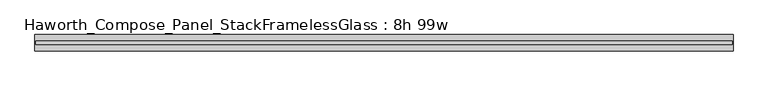
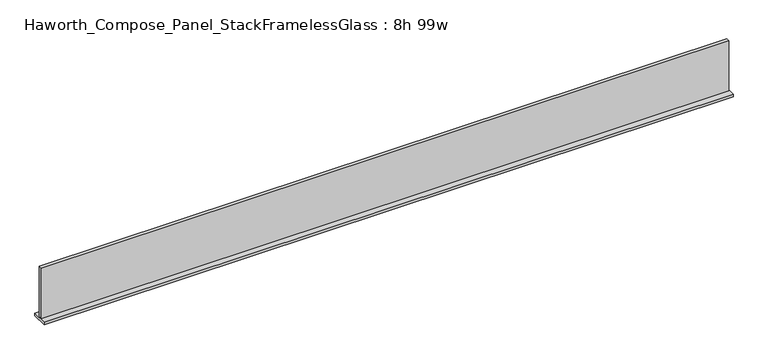
"""IFC4 building model written with IfcOpenShell, lengths in millimetres: furniture geometry, Haworth_Compose_Panel_StackFramelessGlass : 8h 99w."""

import ifcopenshell
import ifcopenshell.guid

model = None  # the IFC model being written
_history = None  # IfcOwnerHistory: only IFC2X3 demands one
_inside = {}  # id of a spatial element -> (the spatial element, [elements in it])
_under = {}  # id of a project, library or spatial element -> (it, [spatial elements below it])
_declared = {}  # id of a project -> (the project, [libraries it declares])
_typed = {}  # id of a type object -> (the type object, [elements of that type])
_made_of = {}  # id of a material, layer set ... -> (it, [elements and type objects made of it])


def new_model(schema):
    """Start an empty IFC model of exactly this schema.

    Asked for "IFC4X3", IfcOpenShell would pick the latest addendum, in which some entities
    have other attributes; the version numbers below select the first issue.
    IFC2X3 requires an IfcOwnerHistory on every rooted entity: one is made here for all.
    """
    global model, _history
    if schema == "IFC4X3":
        model = ifcopenshell.file(schema_version=(4, 3, 0, 0))
    else:
        model = ifcopenshell.file(schema=schema)
    _inside.clear()
    _under.clear()
    _declared.clear()
    _typed.clear()
    _made_of.clear()
    _history = None
    if model.schema == "IFC2X3":
        org = make("IfcOrganization", Name="unknown")
        user = make(
            "IfcPersonAndOrganization",
            ThePerson=make("IfcPerson", FamilyName="unknown"),
            TheOrganization=org,
        )
        app = make(
            "IfcApplication",
            ApplicationDeveloper=org,
            Version="unknown",
            ApplicationFullName="unknown",
            ApplicationIdentifier="unknown",
        )
        _history = make(
            "IfcOwnerHistory",
            OwningUser=user,
            OwningApplication=app,
            ChangeAction="ADDED",
            CreationDate=0,
        )
    return model


def make(cls, **values):
    """One entity of the class cls with the attributes given. An attribute that is None is left unset."""
    return model.create_entity(
        cls, **{name: value for name, value in values.items() if value is not None}
    )


def rooted(cls, **values):
    """An entity with a GlobalId (a new one), such as an element, a storey or a relation."""
    return make(cls, GlobalId=ifcopenshell.guid.new(), OwnerHistory=_history, **values)


def si_unit(unit_type, name, prefix=None):
    """IfcSIUnit, for example si_unit("LENGTHUNIT", "METRE", prefix="MILLI")."""
    return make("IfcSIUnit", UnitType=unit_type, Prefix=prefix, Name=name)


def assignment(units):
    """IfcUnitAssignment: the units of a project."""
    return None if units is None else make("IfcUnitAssignment", Units=units)


def point(xyz):
    """IfcCartesianPoint."""
    return None if xyz is None else make("IfcCartesianPoint", Coordinates=xyz)


def direction(xyz):
    """IfcDirection."""
    return None if xyz is None else make("IfcDirection", DirectionRatios=xyz)


def frame(location, z_axis=None, x_axis=None):
    """IfcAxis2Placement3D, a coordinate frame: its origin and axes. An axis left out is left unset."""
    return make(
        "IfcAxis2Placement3D",
        Location=point(location),
        Axis=direction(z_axis),
        RefDirection=direction(x_axis),
    )


def origin():
    """The frame at (0, 0, 0) with its axes left unset."""
    return frame((0.0, 0.0, 0.0))


def place(relative_to, where):
    """IfcLocalPlacement: puts the frame where relative to a parent placement (None: the world)."""
    return make(
        "IfcLocalPlacement", PlacementRelTo=relative_to, RelativePlacement=where
    )


def context(
    kind, dimensions, precision=None, world=None, true_north=None, identifier=None
):
    """IfcGeometricRepresentationContext, for example the 3D "Model" context."""
    return make(
        "IfcGeometricRepresentationContext",
        ContextIdentifier=identifier,
        ContextType=kind,
        CoordinateSpaceDimension=dimensions,
        Precision=precision,
        WorldCoordinateSystem=world,
        TrueNorth=true_north,
    )


def project(units=None, contexts=None):
    """IfcProject with its units and contexts."""
    return rooted(
        "IfcProject",
        Name="project",
        RepresentationContexts=contexts,
        UnitsInContext=assignment(units),
    )


def spatial(cls, under=None, at=None, **own):
    """A site, building, storey or space (cls), placed at a placement, below another one or the project."""
    s = rooted(cls, ObjectPlacement=at, **own)
    if under is not None:
        _under.setdefault(under.id(), (under, []))[1].append(s)
    return s


def polyline(points):
    """IfcPolyline through the points."""
    return make("IfcPolyline", Points=[point(p) for p in points])


def outline(outer, holes=None, kind="AREA"):
    """IfcArbitraryClosedProfileDef: a profile drawn as a closed curve; with holes, ...WithVoids."""
    if holes is None:
        return make("IfcArbitraryClosedProfileDef", ProfileType=kind, OuterCurve=outer)
    return make(
        "IfcArbitraryProfileDefWithVoids",
        ProfileType=kind,
        OuterCurve=outer,
        InnerCurves=holes,
    )


def extrude(swept, where, along, depth):
    """IfcExtrudedAreaSolid: the profile swept, set in the frame where, extruded along a direction by depth."""
    return make(
        "IfcExtrudedAreaSolid",
        SweptArea=swept,
        Position=where,
        ExtrudedDirection=direction(along),
        Depth=depth,
    )


def shape(context_of_items, identifier, shape_type, items):
    """IfcShapeRepresentation: the items that make up one representation, for example the "Body"."""
    return make(
        "IfcShapeRepresentation",
        ContextOfItems=context_of_items,
        RepresentationIdentifier=identifier,
        RepresentationType=shape_type,
        Items=items,
    )


def source(mapping_origin, context_of_items, identifier, shape_type, items):
    """IfcRepresentationMap: a shape defined once, which mapped items show again and again."""
    return make(
        "IfcRepresentationMap",
        MappingOrigin=mapping_origin,
        MappedRepresentation=shape(context_of_items, identifier, shape_type, items),
    )


def transform(
    local_origin,
    x_axis=None,
    y_axis=None,
    z_axis=None,
    scale=None,
    scale2=None,
    scale3=None,
    uniform=True,
):
    """IfcCartesianTransformationOperator3D, or its non-uniform kind. x_axis, y_axis, z_axis: its Axis1, 2, 3."""
    if uniform:
        return make(
            "IfcCartesianTransformationOperator3D",
            Axis1=direction(x_axis),
            Axis2=direction(y_axis),
            LocalOrigin=point(local_origin),
            Scale=scale,
            Axis3=direction(z_axis),
        )
    return make(
        "IfcCartesianTransformationOperator3DnonUniform",
        Axis1=direction(x_axis),
        Axis2=direction(y_axis),
        LocalOrigin=point(local_origin),
        Scale=scale,
        Axis3=direction(z_axis),
        Scale2=scale2,
        Scale3=scale3,
    )


def mapped(mapping_source, mapping_target):
    """IfcMappedItem: shows the shape of a source again, moved by a transform."""
    return make(
        "IfcMappedItem", MappingSource=mapping_source, MappingTarget=mapping_target
    )


def made_of(thing, what):
    """Note that an element or type object is made of a material, layer set ...; save() writes the relation."""
    if what is not None:
        _made_of.setdefault(what.id(), (what, []))[1].append(thing)
    return thing


def element(
    cls,
    number,
    at=None,
    inside=None,
    cuts=None,
    type_object=None,
    material=None,
    context=None,
    identifier="Body",
    shape_type=None,
    held_by="IfcProductDefinitionShape",
    body=None,
    shapes=None,
    **own,
):
    """One element of the class cls, such as IfcWall. Its Tag is "e" and its number.

    at: its placement. inside: the storey or other place that contains it. cuts: it is an
    opening in that element (IfcRelVoidsElement). A single representation is given by context,
    identifier, shape_type and body (its items); several are given by shapes. held_by: the class
    of the entity that holds the representations. save() writes the other relations.
    """
    e = rooted(cls, Tag="e%d" % number, ObjectPlacement=at, **own)
    if body is not None:
        shapes = [shape(context, identifier, shape_type, body)]
    if shapes is not None:
        e.Representation = make(held_by, Representations=shapes)
    if inside is not None:
        _inside.setdefault(inside.id(), (inside, []))[1].append(e)
    if cuts is not None:
        rooted(
            "IfcRelVoidsElement", RelatingBuildingElement=cuts, RelatedOpeningElement=e
        )
    if type_object is not None:
        _typed.setdefault(type_object.id(), (type_object, []))[1].append(e)
    return made_of(e, material)


def aggregate(whole, parts):
    """IfcRelAggregates: a whole, such as a stair, and the parts it consists of."""
    return rooted("IfcRelAggregates", RelatingObject=whole, RelatedObjects=parts)


def save(model, path):
    """Write the relations noted so far, then the file.

    IfcRelAggregates (storeys below a building ...), IfcRelContainedInSpatialStructure (elements
    in a storey), IfcRelDefinesByType, IfcRelAssociatesMaterial and IfcRelDeclares: one each for
    every whole, place, type object, material and project.
    """
    for whole, parts in _under.values():
        aggregate(whole, parts)
    for where, things in _inside.values():
        rooted(
            "IfcRelContainedInSpatialStructure",
            RelatedElements=things,
            RelatingStructure=where,
        )
    for kind, things in _typed.values():
        rooted("IfcRelDefinesByType", RelatedObjects=things, RelatingType=kind)
    for what, things in _made_of.values():
        rooted("IfcRelAssociatesMaterial", RelatedObjects=things, RelatingMaterial=what)
    for by, libraries in _declared.values():
        rooted("IfcRelDeclares", RelatingContext=by, RelatedDefinitions=libraries)
    model.write(path)


def haworth_compose_panel_stackframelessglass_8h_99w_f6a4f863(model_context):
    return source(origin(), model_context, "Body", "SweptSolid", [
        extrude(outline(polyline([(1256.5652902, -27.3093594), (-1251.6847098, -27.3093594), (-1251.6847098, -14.6093594), (1256.5652902, -14.6093594), (1256.5652902, -27.3093594)])), frame((0.0, 0.0, 1279.525), z_axis=(0.0, 0.0, 1.0), x_axis=(1.0, 0.0, 0.0)), (0.0, 0.0, 1.0), 193.675),
        extrude(outline(polyline([(-1254.8597098, -50.3281094), (-1254.8597098, 8.4093906), (1259.7402902, 8.4093906), (1259.7402902, -50.3281094), (-1254.8597098, -50.3281094)])), frame((0.0, 0.0, 1270.0), z_axis=(0.0, 0.0, 1.0), x_axis=(1.0, 0.0, 0.0)), (0.0, 0.0, 1.0), 9.525),
    ])


if __name__ == "__main__":
    model = new_model("IFC4")
    model_context = context("Model", 3, world=origin())
    ifc_project = project(units=[si_unit("LENGTHUNIT", "METRE", prefix="MILLI")], contexts=[model_context])
    site = spatial("IfcSite", under=ifc_project)
    building = spatial("IfcBuilding", under=site)
    placement = place(None, origin())
    haworth_compose_panel_stackframelessglass_8h_99w_shape = haworth_compose_panel_stackframelessglass_8h_99w_f6a4f863(model_context)
    element("IfcFurniture", 1, ObjectType="Haworth_Compose_Panel_StackFramelessGlass : 8h 99w", at=placement, inside=building, context=model_context, shape_type="MappedRepresentation", body=[
        mapped(haworth_compose_panel_stackframelessglass_8h_99w_shape, transform((0.0, 0.0, 0.0), x_axis=(1.0, 0.0, 0.0), y_axis=(0.0, 1.0, 0.0), z_axis=(0.0, 0.0, 1.0))),
    ])
    save(model, "model.ifc")
